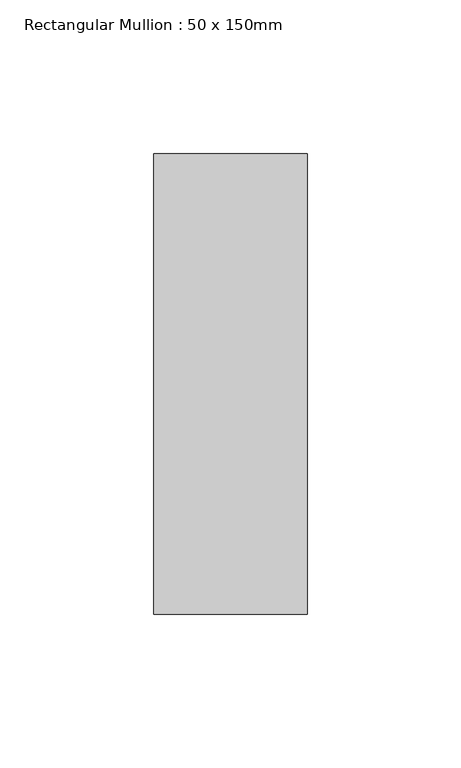
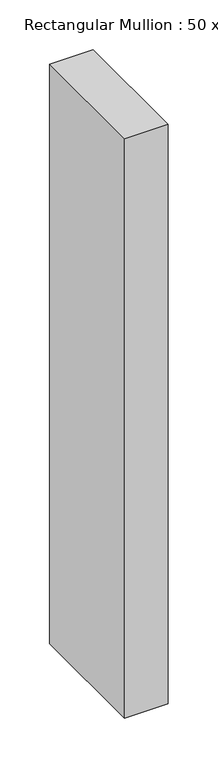
"""IFC4 building model written with IfcOpenShell, lengths in millimetres: member geometry, Rectangular Mullion : 50 x 150mm."""

from ifc_helpers import new_model, si_unit, frame, origin, place, context, project, spatial, polyline, outline, extrude, source, transform, mapped, element, save


def rectangular_mullion_50_x_150mm_995bf2d9(model_context):
    return source(origin(), model_context, "Body", "SweptSolid", [
        extrude(outline(polyline([(25.0, 75.0), (25.0, -75.0), (-25.0, -75.0), (-25.0, 75.0), (25.0, 75.0)])), frame((0.0, 0.0, -707.5), z_axis=(0.0, 0.0, 1.0), x_axis=(1.0, 0.0, 0.0)), (0.0, 0.0, 1.0), 707.5),
    ])


if __name__ == "__main__":
    model = new_model("IFC4")
    model_context = context("Model", 3, world=origin())
    ifc_project = project(units=[si_unit("LENGTHUNIT", "METRE", prefix="MILLI")], contexts=[model_context])
    site = spatial("IfcSite", under=ifc_project)
    building = spatial("IfcBuilding", under=site)
    placement = place(None, origin())
    rectangular_mullion_50_x_150mm_shape = rectangular_mullion_50_x_150mm_995bf2d9(model_context)
    element("IfcMember", 1, ObjectType="Rectangular Mullion : 50 x 150mm", at=placement, inside=building, context=model_context, shape_type="MappedRepresentation", body=[
        mapped(rectangular_mullion_50_x_150mm_shape, transform((0.0, 0.0, 0.0), x_axis=(1.0, 0.0, 0.0), y_axis=(0.0, 1.0, 0.0), z_axis=(0.0, 0.0, 1.0))),
    ])
    save(model, "model.ifc")
